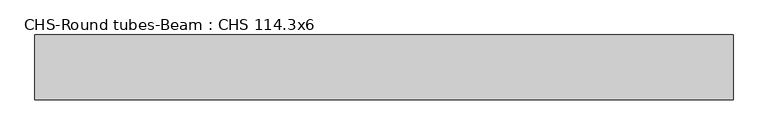
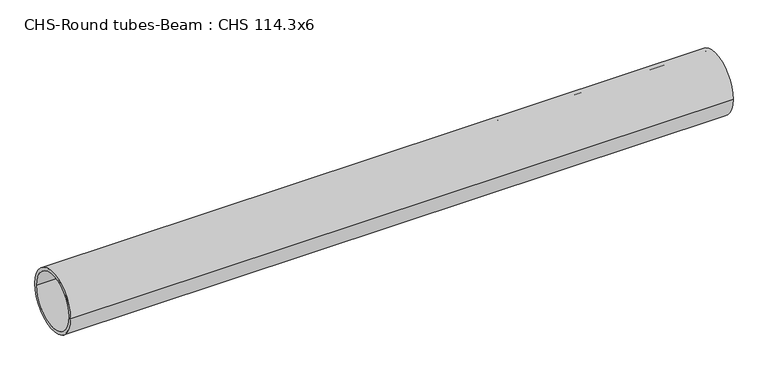
"""IFC4 building model written with IfcOpenShell, lengths in millimetres: beam geometry, CHS-Round tubes-Beam : CHS 114.3x6."""

from ifc_helpers import new_model, si_unit, point, frame, origin, origin_2d, place, context, project, spatial, circle_curve, trimmed, segment, composite_curve, outline, extrude, source, transform, mapped, element, save


def chs_round_tubes_beam_chs_114_3x6_1cceccea(model_context):
    return source(origin(), model_context, "Body", "SweptSolid", [
        extrude(outline(composite_curve([segment(trimmed(circle_curve(origin_2d(), 57.15), [point((57.15, 0.0))], [point((-57.15, 0.0))], False, "CARTESIAN"), True, "CONTINUOUS"), segment(trimmed(circle_curve(origin_2d(), 57.15), [point((-57.15, 0.0))], [point((57.15, 0.0))], False, "CARTESIAN"), True, "CONTINUOUS")], self_intersect=False), holes=[composite_curve([segment(trimmed(circle_curve(origin_2d(), 51.15), [point((51.15, 0.0))], [point((-51.15, 0.0))], True, "CARTESIAN"), True, "CONTINUOUS"), segment(trimmed(circle_curve(origin_2d(), 51.15), [point((-51.15, 0.0))], [point((51.15, 0.0))], True, "CARTESIAN"), True, "CONTINUOUS")], self_intersect=False)]), frame((-615.4932956, 0.0, 0.0), z_axis=(1.0, 0.0, 0.0), x_axis=(0.0, 1.0, 0.0)), (0.0, 0.0, 1.0), 1230.9825385),
    ])


if __name__ == "__main__":
    model = new_model("IFC4")
    model_context = context("Model", 3, world=origin())
    ifc_project = project(units=[si_unit("LENGTHUNIT", "METRE", prefix="MILLI")], contexts=[model_context])
    site = spatial("IfcSite", under=ifc_project)
    building = spatial("IfcBuilding", under=site)
    placement = place(None, origin())
    chs_round_tubes_beam_chs_114_3x6_shape = chs_round_tubes_beam_chs_114_3x6_1cceccea(model_context)
    element("IfcBeam", 1, ObjectType="CHS-Round tubes-Beam : CHS 114.3x6", at=placement, inside=building, context=model_context, shape_type="MappedRepresentation", body=[
        mapped(chs_round_tubes_beam_chs_114_3x6_shape, transform((0.0, 0.0, 0.0), x_axis=(1.0, 0.0, 0.0), y_axis=(0.0, 1.0, 0.0), z_axis=(0.0, 0.0, 1.0))),
    ])
    save(model, "model.ifc")
